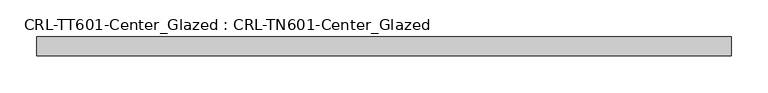
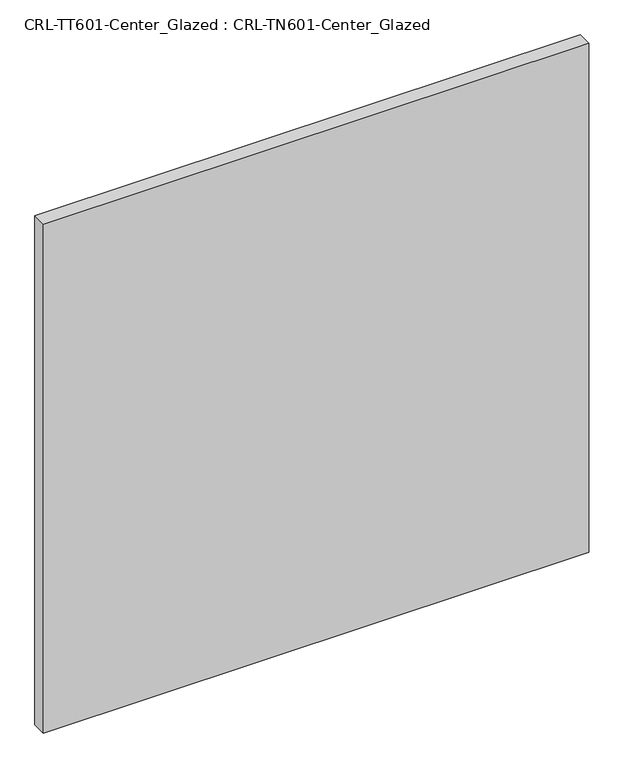
"""IFC4 building model written with IfcOpenShell, lengths in millimetres: plate geometry, CRL-TT601-Center_Glazed : CRL-TN601-Center_Glazed."""

from ifc_helpers import new_model, si_unit, origin, origin_with_axes, place, context, project, spatial, polyline, outline, extrude, source, transform, mapped, element, save


def crl_tt601_center_glazed_crl_tn601_center_glazed_5aa90fa8(model_context):
    return source(origin(), model_context, "Body", "SweptSolid", [
        extrude(outline(polyline([(-469.8999937, -12.7254), (-469.8999937, 12.6746), (469.8999937, 12.6746), (469.8999937, -12.7254), (-469.8999937, -12.7254)])), origin_with_axes(), (0.0, 0.0, 1.0), 927.244537),
    ])


if __name__ == "__main__":
    model = new_model("IFC4")
    model_context = context("Model", 3, world=origin())
    ifc_project = project(units=[si_unit("LENGTHUNIT", "METRE", prefix="MILLI")], contexts=[model_context])
    site = spatial("IfcSite", under=ifc_project)
    building = spatial("IfcBuilding", under=site)
    placement = place(None, origin())
    crl_tt601_center_glazed_crl_tn601_center_glazed_shape = crl_tt601_center_glazed_crl_tn601_center_glazed_5aa90fa8(model_context)
    element("IfcPlate", 1, ObjectType="CRL-TT601-Center_Glazed : CRL-TN601-Center_Glazed", at=placement, inside=building, context=model_context, shape_type="MappedRepresentation", body=[
        mapped(crl_tt601_center_glazed_crl_tn601_center_glazed_shape, transform((0.0, 0.0, 0.0), x_axis=(1.0, 0.0, 0.0), y_axis=(0.0, 1.0, 0.0), z_axis=(0.0, 0.0, 1.0))),
    ])
    save(model, "model.ifc")
